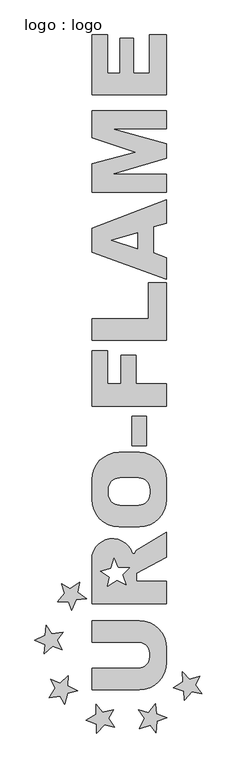
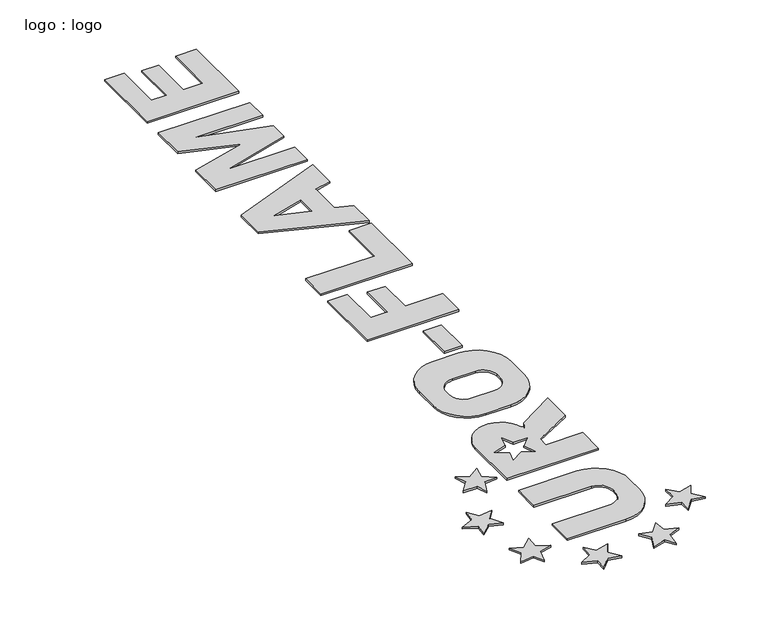
"""IFC4 building model written with IfcOpenShell, lengths in millimetres: proxy geometry, logo : logo."""

from ifc_helpers import new_model, si_unit, point, frame_2d, origin, origin_with_axes, place, context, project, spatial, polyline, circle_curve, trimmed, segment, composite_curve, outline, extrude, source, transform, mapped, element, save


def logo_logo_1fca02fd(model_context):
    return source(origin(), model_context, "Body", "SweptSolid", [
        extrude(outline(composite_curve([segment(polyline([(-1992.9887185, 186.7140907), (-1992.9887185, 329.2140907), (-1682.8819918, 329.2140907)]), True, "CONTINUOUS"), segment(trimmed(circle_curve(frame_2d((-1682.8819918, 404.2140907)), 75.0), [point((-1682.8819918, 329.2140907))], [point((-1607.8819918, 404.2140907))], True, "CARTESIAN"), True, "CONTINUOUS"), segment(polyline([(-1607.8819918, 404.2140907), (-1607.8819918, 426.7140907)]), True, "CONTINUOUS"), segment(trimmed(circle_curve(frame_2d((-1682.8819918, 426.7140907)), 75.0), [point((-1607.8819918, 426.7140907))], [point((-1682.8819918, 501.7140907))], True, "CARTESIAN"), True, "CONTINUOUS"), segment(polyline([(-1682.8819918, 501.7140907), (-1992.9887185, 501.7140907), (-1992.9887185, 644.2140907), (-1677.6685386, 644.2140907)]), True, "CONTINUOUS"), segment(trimmed(circle_curve(frame_2d((-1677.6685386, 464.2140907)), 180.0), [point((-1677.6685386, 644.2140907))], [point((-1497.6685386, 464.2140907))], False, "CARTESIAN"), True, "CONTINUOUS"), segment(polyline([(-1497.6685386, 464.2140907), (-1497.6685386, 366.7140907)]), True, "CONTINUOUS"), segment(trimmed(circle_curve(frame_2d((-1677.6685386, 366.7140907)), 180.0), [point((-1497.6685386, 366.7140907))], [point((-1677.6685386, 186.7140907))], False, "CARTESIAN"), True, "CONTINUOUS"), segment(polyline([(-1677.6685386, 186.7140907), (-1992.9887185, 186.7140907)]), True, "CONTINUOUS")], self_intersect=False)), origin_with_axes(), (0.0, 0.0, 1.0), 10.0),
        extrude(outline(composite_curve([segment(trimmed(circle_curve(frame_2d((-1855.9469865, 1049.7498305)), 137.041732), [point((-1992.9887185, 1049.7498305))], [point((-1723.7012011, 1085.6871168))], False, "CARTESIAN"), True, "CONTINUOUS"), segment(polyline([(-1723.7012011, 1085.6871168), (-1708.7012011, 1085.6871168), (-1696.0167285, 1109.8020529), (-1497.6685386, 1228.9816691), (-1497.6685386, 1063.9816691), (-1696.0167285, 958.5180658), (-1696.0167285, 903.8860785), (-1497.6685386, 903.8860785), (-1497.6685386, 756.7140907), (-1992.9887185, 756.7140907), (-1992.9887185, 1049.7498305)]), True, "CONTINUOUS")], self_intersect=False), holes=[polyline([(-1874.4689659, 929.9034444), (-1889.9981086, 871.9478948), (-1826.4178648, 912.943971), (-1765.5516044, 880.9282769), (-1790.3367983, 949.0250375), (-1743.8235207, 995.5383151), (-1818.8235207, 995.5383151), (-1847.3502534, 1056.7140907), (-1864.5521566, 992.5157139), (-1936.6467838, 971.8429122), (-1874.4689659, 929.9034444)])]), origin_with_axes(), (0.0, 0.0, 1.0), 10.0),
        extrude(outline(composite_curve([segment(polyline([(-1497.6685386, 1577.9640907), (-1497.6685386, 1446.7140907)]), True, "CONTINUOUS"), segment(trimmed(circle_curve(frame_2d((-1677.6685386, 1446.7140907)), 180.0), [point((-1497.6685386, 1446.7140907))], [point((-1677.6685386, 1266.7140907))], False, "CARTESIAN"), True, "CONTINUOUS"), segment(polyline([(-1677.6685386, 1266.7140907), (-1812.9887185, 1266.7140907)]), True, "CONTINUOUS"), segment(trimmed(circle_curve(frame_2d((-1812.9887185, 1446.7140907)), 180.0), [point((-1812.9887185, 1266.7140907))], [point((-1992.9887185, 1446.7140907))], False, "CARTESIAN"), True, "CONTINUOUS"), segment(polyline([(-1992.9887185, 1446.7140907), (-1992.9887185, 1577.9640907)]), True, "CONTINUOUS"), segment(trimmed(circle_curve(frame_2d((-1812.9887185, 1577.9640907)), 180.0), [point((-1992.9887185, 1577.9640907))], [point((-1812.9887185, 1757.9640907))], False, "CARTESIAN"), True, "CONTINUOUS"), segment(polyline([(-1812.9887185, 1757.9640907), (-1677.6685386, 1757.9640907)]), True, "CONTINUOUS"), segment(trimmed(circle_curve(frame_2d((-1677.6685386, 1577.9640907)), 180.0), [point((-1677.6685386, 1757.9640907))], [point((-1497.6685386, 1577.9640907))], False, "CARTESIAN"), True, "CONTINUOUS")], self_intersect=False), holes=[composite_curve([segment(trimmed(circle_curve(frame_2d((-1682.8819918, 1514.2140907)), 75.0), [point((-1607.8819918, 1514.2140907))], [point((-1682.8819918, 1589.2140907))], True, "CARTESIAN"), True, "CONTINUOUS"), segment(polyline([(-1682.8819918, 1589.2140907), (-1807.7752652, 1589.2140907)]), True, "CONTINUOUS"), segment(trimmed(circle_curve(frame_2d((-1807.7752652, 1514.2140907)), 75.0), [point((-1807.7752652, 1589.2140907))], [point((-1882.7752652, 1514.2140907))], True, "CARTESIAN"), True, "CONTINUOUS"), segment(polyline([(-1882.7752652, 1514.2140907), (-1882.7752652, 1484.2140907)]), True, "CONTINUOUS"), segment(trimmed(circle_curve(frame_2d((-1807.7752652, 1484.2140907)), 75.0), [point((-1882.7752652, 1484.2140907))], [point((-1807.7752652, 1409.2140907))], True, "CARTESIAN"), True, "CONTINUOUS"), segment(polyline([(-1807.7752652, 1409.2140907), (-1682.8819918, 1409.2140907)]), True, "CONTINUOUS"), segment(trimmed(circle_curve(frame_2d((-1682.8819918, 1484.2140907)), 75.0), [point((-1682.8819918, 1409.2140907))], [point((-1607.8819918, 1484.2140907))], True, "CARTESIAN"), True, "CONTINUOUS"), segment(polyline([(-1607.8819918, 1484.2140907), (-1607.8819918, 1514.2140907)]), True, "CONTINUOUS")], self_intersect=False)]), origin_with_axes(), (0.0, 0.0, 1.0), 10.0),
        extrude(outline(polyline([(-1727.7848989, 1996.897634), (-1630.2848989, 1996.897634), (-1630.2848989, 1801.897634), (-1727.7848989, 1801.897634), (-1727.7848989, 1996.897634)])), origin_with_axes(), (0.0, 0.0, 1.0), 10.0),
        extrude(outline(polyline([(-1992.9887185, 2064.397634), (-1992.9887185, 2431.897634), (-1887.9887185, 2431.897634), (-1887.9887185, 2214.397634), (-1797.9887185, 2214.397634), (-1797.9887185, 2401.897634), (-1700.4887185, 2401.897634), (-1700.4887185, 2214.397634), (-1497.6685386, 2214.397634), (-1497.6685386, 2064.397634), (-1992.9887185, 2064.397634)])), origin_with_axes(), (0.0, 0.0, 1.0), 10.0),
        extrude(outline(polyline([(-1497.6685386, 2499.397634), (-1992.9887185, 2499.397634), (-1992.9887185, 2641.897634), (-1617.6685386, 2641.897634), (-1617.6685386, 2881.897634), (-1497.6685386, 2881.897634), (-1497.6685386, 2499.397634)])), origin_with_axes(), (0.0, 0.0, 1.0), 10.0),
        extrude(outline(polyline([(-1992.9887185, 3241.897634), (-1497.6685386, 3432.0332369), (-1497.6685386, 3274.5332369), (-1584.6018629, 3251.2395228), (-1584.6018629, 3078.7395228), (-1497.6685386, 3047.0983804), (-1497.6685386, 2904.5983804), (-1992.9887185, 3084.8801823), (-1992.9887185, 3241.897634)]), holes=[polyline([(-1690.5047197, 3212.1674889), (-1862.4302256, 3162.2179027), (-1690.5047197, 3106.8756806), (-1690.5047197, 3212.1674889)])]), origin_with_axes(), (0.0, 0.0, 1.0), 10.0),
        extrude(outline(polyline([(-1992.9887185, 3669.397634), (-1703.2109706, 3747.0433475), (-1992.9887185, 3840.3217963), (-1992.9887185, 4020.3217963), (-1497.6685386, 4020.3217963), (-1497.6685386, 3900.3217963), (-1857.6685386, 3900.3217963), (-1497.6685386, 3802.1182762), (-1497.6685386, 3704.6182762), (-1857.7783288, 3599.9954345), (-1497.6685386, 3599.9954345), (-1497.6685386, 3481.897634), (-1992.9887185, 3481.897634), (-1992.9887185, 3669.397634)])), origin_with_axes(), (0.0, 0.0, 1.0), 10.0),
        extrude(outline(polyline([(-1992.9887185, 4522.8217963), (-1887.9887185, 4522.8217963), (-1887.9887185, 4267.8217963), (-1805.4887185, 4267.8217963), (-1805.4887185, 4500.3217963), (-1715.4887185, 4500.3217963), (-1715.4887185, 4267.8217963), (-1610.4887185, 4267.8217963), (-1610.4887185, 4522.8217963), (-1497.6685386, 4522.8217963), (-1497.6685386, 4125.3217963), (-1992.9887185, 4125.3217963), (-1992.9887185, 4522.8217963)])), origin_with_axes(), (0.0, 0.0, 1.0), 10.0),
        extrude(outline(polyline([(-2146.1630504, 769.1909098), (-2221.1630504, 769.1909098), (-2172.9539797, 826.644243), (-2194.5922324, 889.4862917), (-2136.7334396, 854.7212217), (-2074.5556216, 896.6606894), (-2087.1069816, 832.08954), (-2028.4798993, 789.4944714), (-2096.8432651, 782.0007038), (-2126.6289612, 712.4597952), (-2146.1630504, 769.1909098)])), origin_with_axes(), (0.0, 0.0, 1.0), 10.0),
        extrude(outline(polyline([(-2202.2255792, 143.850451), (-2276.4956844, 133.4124684), (-2236.7517396, 197.0160756), (-2266.925333, 256.2350871), (-2204.7912554, 229.8607359), (-2149.0553935, 280.0455314), (-2152.4980374, 214.3559722), (-2088.5134221, 180.3347488), (-2155.1685494, 163.3995684), (-2174.9861493, 90.3900595), (-2202.2255792, 143.850451)])), origin_with_axes(), (0.0, 0.0, 1.0), 10.0),
        extrude(outline(polyline([(-2303.6922706, 483.1914759), (-2371.2996159, 515.6606438), (-2302.9696263, 546.5800961), (-2295.2693035, 612.5955647), (-2258.1641504, 556.2088853), (-2183.9585927, 567.0962729), (-2223.2270676, 514.3235824), (-2188.8191348, 450.5460879), (-2253.6882291, 473.3869928), (-2310.6437928, 423.5955336), (-2303.6922706, 483.1914759)])), origin_with_axes(), (0.0, 0.0, 1.0), 10.0),
        extrude(outline(polyline([(-1960.8836664, -40.5709096), (-2031.360613, -14.9193988), (-1966.4087077, 22.5806012), (-1965.2487675, 89.0335289), (-1922.7696411, 36.5761765), (-1849.9974616, 54.7203187), (-1883.8765158, -1.6638961), (-1843.3534507, -61.7418108), (-1910.1570205, -45.4020008), (-1961.9308108, -100.5617713), (-1960.8836664, -40.5709096)])), origin_with_axes(), (0.0, 0.0, 1.0), 10.0),
        extrude(outline(polyline([(-1603.7042379, -49.5650734), (-1675.7988651, -70.237875), (-1645.2936168, -1.7219657), (-1683.4152564, 52.7213779), (-1618.2152631, 35.2510923), (-1570.0061924, 92.7044256), (-1564.2731131, 27.1750292), (-1496.1763525, 2.3898353), (-1559.8258751, -23.6571338), (-1569.2896517, -98.714196), (-1603.7042379, -49.5650734)])), origin_with_axes(), (0.0, 0.0, 1.0), 10.0),
        extrude(outline(polyline([(-1381.1509598, 177.0127788), (-1452.7547267, 199.3264645), (-1389.6354376, 239.8351716), (-1391.59734, 306.2692592), (-1346.7017311, 255.864554), (-1274.8618634, 277.4059885), (-1306.0557965, 219.4930494), (-1262.7562371, 161.3843341), (-1330.2534115, 174.5690897), (-1379.3798383, 117.0389251), (-1381.1509598, 177.0127788)])), origin_with_axes(), (0.0, 0.0, 1.0), 10.0),
    ])


if __name__ == "__main__":
    model = new_model("IFC4")
    model_context = context("Model", 3, world=origin())
    ifc_project = project(units=[si_unit("LENGTHUNIT", "METRE", prefix="MILLI")], contexts=[model_context])
    site = spatial("IfcSite", under=ifc_project)
    building = spatial("IfcBuilding", under=site)
    placement = place(None, origin())
    logo_logo_shape = logo_logo_1fca02fd(model_context)
    element("IfcBuildingElementProxy", 1, Name="logo : logo", ObjectType="logo : logo", at=placement, inside=building, context=model_context, shape_type="MappedRepresentation", body=[
        mapped(logo_logo_shape, transform((0.0, 0.0, 0.0), x_axis=(1.0, 0.0, 0.0), y_axis=(0.0, 1.0, 0.0), z_axis=(0.0, 0.0, 1.0))),
    ])
    save(model, "model.ifc")
